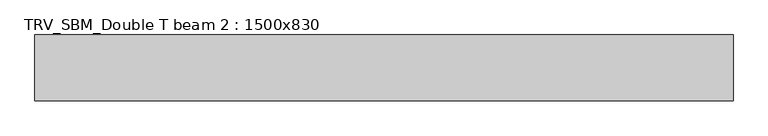
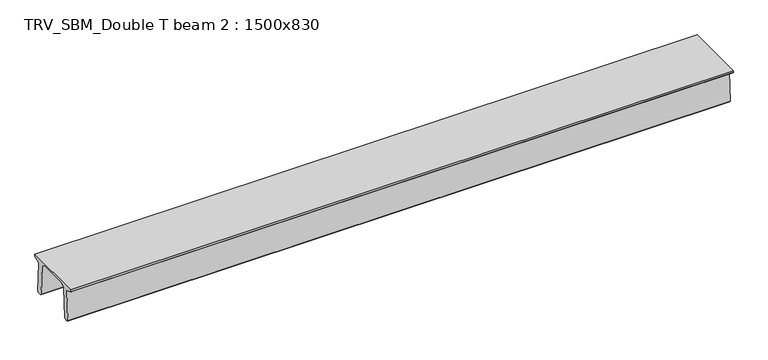
"""IFC4 building model written with IfcOpenShell, lengths in millimetres: beam geometry, TRV_SBM_Double T beam 2 : 1500x830."""

from ifc_helpers import new_model, si_unit, frame, origin, place, context, project, spatial, polyline, outline, extrude, source, transform, mapped, element, save


def trv_sbm_double_t_beam_2_1500x830_fb0048f4(model_context):
    return source(origin(), model_context, "Body", "SweptSolid", [
        extrude(outline(polyline([(337.4555014, 470.0), (-343.4555014, 470.0), (-456.5828437, 409.8491251), (-494.786332, -340.5206011), (-514.2657308, -360.0), (-604.2657308, -360.0), (-624.8277662, -339.4379646), (-586.9373878, 401.9654693), (-752.8511046, 468.9989621), (-753.0, 475.0), (-753.0, 520.0), (747.0, 520.0), (747.0, 475.0), (746.8511046, 468.9989621), (580.9373878, 401.9654693), (618.8277662, -339.4379646), (598.2657308, -360.0), (508.2657308, -360.0), (488.786332, -340.5206011), (450.5828437, 409.8491251), (337.4555014, 470.0)])), frame((-7921.0, 0.0, 0.0), z_axis=(1.0, 0.0, 0.0), x_axis=(0.0, 1.0, 0.0)), (0.0, 0.0, 1.0), 15919.0),
    ])


if __name__ == "__main__":
    model = new_model("IFC4")
    model_context = context("Model", 3, world=origin())
    ifc_project = project(units=[si_unit("LENGTHUNIT", "METRE", prefix="MILLI")], contexts=[model_context])
    site = spatial("IfcSite", under=ifc_project)
    building = spatial("IfcBuilding", under=site)
    placement = place(None, origin())
    trv_sbm_double_t_beam_2_1500x830_shape = trv_sbm_double_t_beam_2_1500x830_fb0048f4(model_context)
    element("IfcBeam", 1, ObjectType="TRV_SBM_Double T beam 2 : 1500x830", at=placement, inside=building, context=model_context, shape_type="MappedRepresentation", body=[
        mapped(trv_sbm_double_t_beam_2_1500x830_shape, transform((0.0, 0.0, 0.0), x_axis=(1.0, 0.0, 0.0), y_axis=(0.0, 1.0, 0.0), z_axis=(0.0, 0.0, 1.0))),
    ])
    save(model, "model.ifc")
